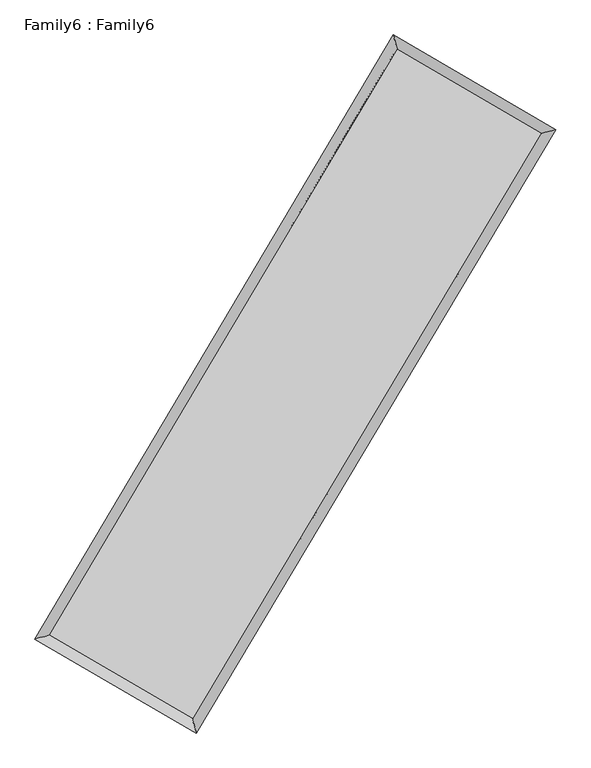
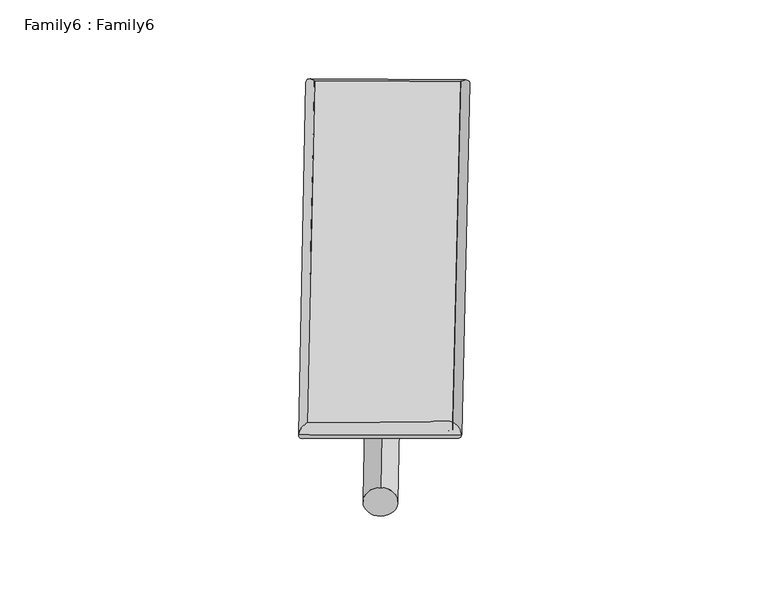
"""IFC4 building model written with IfcOpenShell, lengths in millimetres: plate geometry, Family6 : Family6."""

from ifc_helpers import new_model, si_unit, point, frame, origin, origin_2d, place, context, project, spatial, circle_curve, ellipse_curve, trimmed, segment, composite_curve, outline, extrude, source, transform, mapped, element, save
from ifc_brep_helpers import plane_surface, cylinder_surface, spline_surface, advanced_brep


def family6_family6_8bd7d2f0(model_context):
    return source(origin(), model_context, "Body", "SolidModel", [
        extrude(outline(composite_curve([segment(trimmed(circle_curve(origin_2d(), 76.2), [point((-75.4341514, -10.7763073))], [point((75.4341514, 10.7763073))], False, "CARTESIAN"), True, "CONTINUOUS"), segment(trimmed(circle_curve(origin_2d(), 76.2), [point((75.4341514, 10.7763073))], [point((-75.4341514, -10.7763073))], False, "CARTESIAN"), True, "CONTINUOUS")], self_intersect=False)), frame((9144.0, 9144.0, 0.0), z_axis=(0.6746271748806547, 0.6862228419612669, 0.27198600346920215), x_axis=(-0.6782232325349121, 0.721676859386595, -0.13854875486916265)), (0.0, 0.0, 1.0), 5576.2565293),
        extrude(outline(composite_curve([segment(trimmed(circle_curve(origin_2d(), 76.2), [point((-53.8815367, 53.8815368))], [point((53.8815367, -53.8815368))], False, "CARTESIAN"), True, "CONTINUOUS"), segment(trimmed(circle_curve(origin_2d(), 76.2), [point((53.8815367, -53.8815368))], [point((-53.8815367, 53.8815368))], False, "CARTESIAN"), True, "CONTINUOUS")], self_intersect=False)), frame((9144.0, 9144.0, 0.0), z_axis=(-0.6737112632616313, -0.6871135818360978, 0.27200746204982174), x_axis=(0.6406595170051703, -0.3596005261492225, 0.6784120022994171)), (0.0, 0.0, 1.0), 5575.5674448),
        extrude(outline(composite_curve([segment(trimmed(circle_curve(origin_2d(), 76.2), [point((-53.8815367, -53.8815368))], [point((53.8815367, 53.8815368))], False, "CARTESIAN"), True, "CONTINUOUS"), segment(trimmed(circle_curve(origin_2d(), 76.2), [point((53.8815367, 53.8815368))], [point((-53.8815367, -53.8815368))], False, "CARTESIAN"), True, "CONTINUOUS")], self_intersect=False)), frame((9144.0, 9144.0, 0.0), z_axis=(0.2793435147639205, 0.9200170902294191, 0.27483768745412657), x_axis=(-0.8391000439321958, 0.373046436401289, -0.39591346600145627)), (0.0, 0.0, 1.0), 5560.1191033),
        extrude(outline(composite_curve([segment(trimmed(circle_curve(origin_2d(), 76.2), [point((-75.4341514, 10.7763074))], [point((75.4341514, -10.7763074))], False, "CARTESIAN"), True, "CONTINUOUS"), segment(trimmed(circle_curve(origin_2d(), 76.2), [point((75.4341514, -10.7763074))], [point((-75.4341514, 10.7763074))], False, "CARTESIAN"), True, "CONTINUOUS")], self_intersect=False)), frame((9144.0, 9144.0, 0.0), z_axis=(-0.28052407537935903, -0.9196292328444279, 0.2749332959656298), x_axis=(0.8765034122807285, -0.12868804593138872, 0.46387622820597346)), (0.0, 0.0, 1.0), 5558.0336551),
        advanced_brep(
        [(5178.2224453, 5258.6254072, 1517.5027763), (5597.1367894, 5367.2846826, 1517.7606673), (5597.1323814, 5367.2783573, 1515.6891239), (10751.0309816, 14051.5348349, 1526.8854103), (10643.3354441, 14467.2743626, 1529.3751423), (5178.2180373, 5258.6190819, 1515.4312329), (12696.2983389, 12916.4121989, 1516.7865323), (13115.4900387, 13024.6970072, 1516.5409231), (7531.1184824, 4240.356383, 1527.8766355), (7638.5570135, 3824.9831643, 1528.3003882)],
        [
            (0, 1, ellipse_curve(frame((5387.6774134, 5312.9518822, 1516.5959501), z_axis=(-0.25107229252188307, 0.9679653097177361, -0.002421386142909992), x_axis=(-0.9679581334328099, -0.25108034658500766, -0.0039637709347274215)), 216.3948607, 152.4)),
            (1, 2, ellipse_curve(frame((5387.6774134, 5312.9518822, 1516.5959501), z_axis=(-0.25107229252188307, 0.9679653097177361, -0.002421386142909992), x_axis=(-0.9679581334328099, -0.25108034658500766, -0.0039637709347274215)), 216.3948607, 152.4)),
            (2, 3),
            (3, 4, ellipse_curve(frame((10697.1832128, 14259.4045987, 1528.1302763), z_axis=(-0.9680409071023293, -0.2507810758513705, 0.002377850148492664), x_axis=(0.2507706726172638, -0.9680383850167347, -0.003969242909841741)), 214.7350052, 152.4)),
            (4, 0),
            (2, 5, ellipse_curve(frame((5387.6774134, 5312.9518822, 1516.5959501), z_axis=(-0.25107229252188307, 0.9679653097177361, -0.002421386142909992), x_axis=(-0.9679581334328099, -0.25108034658500766, -0.0039637709347274215)), 216.3948607, 152.4)),
            (5, 0, ellipse_curve(frame((5387.6774134, 5312.9518822, 1516.5959501), z_axis=(-0.25107229252188307, 0.9679653097177361, -0.002421386142909992), x_axis=(-0.9679581334328099, -0.25108034658500766, -0.0039637709347274215)), 216.3948607, 152.4)),
            (4, 3, ellipse_curve(frame((10697.1832128, 14259.4045987, 1528.1302763), z_axis=(-0.9680409071023293, -0.2507810758513705, 0.002377850148492664), x_axis=(0.2507706726172638, -0.9680383850167347, -0.003969242909841741)), 214.7350052, 152.4)),
            (3, 6),
            (6, 7, ellipse_curve(frame((12905.8941888, 12970.554603, 1516.6637277), z_axis=(-0.25010617277046815, 0.9682154309193599, 0.002404510708435087), x_axis=(-0.9682083891755837, -0.25011411380928406, 0.003930038602618175)), 216.4771919, 152.4)),
            (7, 4),
            (7, 6, ellipse_curve(frame((12905.8941888, 12970.554603, 1516.6637277), z_axis=(-0.25010617277046815, 0.9682154309193599, 0.002404510708435087), x_axis=(-0.9682083891755837, -0.25011411380928406, 0.003930038602618175)), 216.4771919, 152.4)),
            (6, 8),
            (8, 9, ellipse_curve(frame((7584.837748, 4032.6697736, 1528.0885119), z_axis=(0.9681353605100982, 0.2504159070972816, 0.002407738072979146), x_axis=(-0.250405335328822, 0.9681328625883195, -0.003991041894828759)), 214.522585, 152.4)),
            (9, 7),
            (9, 8, ellipse_curve(frame((7584.837748, 4032.6697736, 1528.0885119), z_axis=(0.9681353605100982, 0.2504159070972816, 0.002407738072979146), x_axis=(-0.250405335328822, 0.9681328625883195, -0.003991041894828759)), 214.522585, 152.4)),
            (8, 1),
            (5, 9),
        ],
        [
            cylinder_surface(frame((5387.6774134, 5312.9518822, 1516.5959501), z_axis=(-0.5103642767881365, -0.8599576011282252, -0.0011087111033906724), x_axis=(-0.859940649263308, 0.5103451039356407, 0.007067859189341427)), 152.4),
            cylinder_surface(frame((10697.1832128, 14259.4045987, 1528.1302763), z_axis=(-0.8636961297131681, 0.5039929466399796, 0.004483888451440116), x_axis=(0.5040089276608793, 0.8636904427518974, 0.0037175176074615117)), 152.4),
            cylinder_surface(frame((12905.8941888, 12970.554603, 1516.6637277), z_axis=(0.5115465068923158, 0.8592548893920018, -0.001098336109150635), x_axis=(0.8592555382230015, -0.5115465068923158, 0.00030219094930734674)), 152.4),
            cylinder_surface(frame((7584.837748, 4032.6697736, 1528.0885119), z_axis=(0.8640086957021806, -0.5034566013937266, 0.0045193211984942095), x_axis=(-0.5034472906653716, -0.8640204262627618, -0.003086830480033067)), 152.4),
        ],
        [
            (0, [[1, 2, 3, 4, 5]]),
            (0, [[6, 7, -5, 8, -3]]),
            (1, [[-4, 9, 10, 11]]),
            (1, [[-8, -11, 12, -9]]),
            (2, [[-10, 13, 14, 15]]),
            (2, [[-12, -15, 16, -13]]),
            (3, [[-14, 17, -1, -7, 18]]),
            (3, [[-16, -18, -6, -2, -17]]),
        ],
    ),
        extrude(outline(composite_curve([segment(trimmed(circle_curve(origin_2d(), 304.8), [point((0.0, 304.8))], [point((0.0, -304.8))], False, "CARTESIAN"), True, "CONTINUOUS"), segment(trimmed(circle_curve(origin_2d(), 304.8), [point((0.0, -304.8))], [point((0.0, 304.8))], False, "CARTESIAN"), True, "CONTINUOUS")], self_intersect=False)), frame((11807.2863378, 13638.3605969, -0.0002819), z_axis=(-0.5097969417036354, -0.860294762409732, 5.395122609895814e-08), x_axis=(-0.8602947624097336, 0.5097969417036354, -1.4784845188072618e-08)), (0.0, 0.0, 1.0), 10448.4202236),
        advanced_brep(
        [(5387.6774134, 5312.9518822, 1516.5959501), (7584.837748, 4032.6697736, 1528.0885119), (7584.8383235, 4032.6684832, 1680.4885119), (5387.6779889, 5312.9505918, 1668.9959501), (12905.8941888, 12970.554603, 1516.6637277), (12905.8947643, 12970.5533126, 1669.0637277), (10697.1832128, 14259.4045987, 1528.1302763), (10697.1837884, 14259.4033083, 1680.5302763)],
        [
            (0, 1),
            (1, 2),
            (2, 3),
            (3, 0),
            (1, 4),
            (4, 5),
            (5, 2),
            (4, 6),
            (6, 7),
            (7, 5),
            (6, 0),
            (3, 7),
        ],
        [
            plane_surface(frame((6486.2575807, 4672.8108279, 1522.342231), z_axis=(-0.503461721686862, -0.8640175315158725, -5.414737361699503e-06), x_axis=(0.8640086957021811, -0.5034566013937257, 0.004519321198494214))),
            plane_surface(frame((10245.3659684, 8501.6121883, 1522.3761198), z_axis=(0.8592554033886358, -0.5115468225783723, -7.5765565475398484e-06), x_axis=(0.5115465068923152, 0.8592548893920022, -0.0010983361091506344))),
            plane_surface(frame((11801.5387008, 13614.9796009, 1522.397002), z_axis=(0.5039980341145875, 0.8637048000210273, 5.410063892775582e-06), x_axis=(-0.8636961297131683, 0.5039929466399794, 0.004483888451440116))),
            plane_surface(frame((8042.4303131, 9786.1782405, 1522.3631132), z_axis=(-0.8599581339343633, 0.5103645832371555, 7.569199808202178e-06), x_axis=(-0.5103642767881363, -0.8599576011282254, -0.0011087111033906743))),
            spline_surface(1, 1, [[(7584.8383235, 4032.6684832, 1680.4885119), (5387.6779889, 5312.9505918, 1668.9959501)], [(12905.8947643, 12970.5533126, 1669.0637277), (10697.1837884, 14259.4033083, 1680.5302763)]], [2, 2], [2, 2], [0.0, 1.0], [0.0, 1.0]),
            spline_surface(1, 1, [[(10697.1832128, 14259.4045987, 1528.1302763), (5387.6774134, 5312.9518822, 1516.5959501)], [(12905.8941888, 12970.554603, 1516.6637277), (7584.837748, 4032.6697736, 1528.0885119)]], [2, 2], [2, 2], [0.0, 1.0], [0.0, 1.0]),
        ],
        [
            (0, [[1, 2, 3, 4]]),
            (1, [[5, 6, 7, -2]]),
            (2, [[8, 9, 10, -6]]),
            (3, [[11, -4, 12, -9]]),
            (4, [[-3, -7, -10, -12]]),
            (5, [[-11, -8, -5, -1]]),
        ],
    ),
    ])


if __name__ == "__main__":
    model = new_model("IFC4")
    model_context = context("Model", 3, world=origin())
    ifc_project = project(units=[si_unit("LENGTHUNIT", "METRE", prefix="MILLI")], contexts=[model_context])
    site = spatial("IfcSite", under=ifc_project)
    building = spatial("IfcBuilding", under=site)
    placement = place(None, origin())
    family6_family6_shape = family6_family6_8bd7d2f0(model_context)
    element("IfcPlate", 1, ObjectType="Family6 : Family6", at=placement, inside=building, context=model_context, shape_type="MappedRepresentation", body=[
        mapped(family6_family6_shape, transform((0.0, 0.0, 0.0), x_axis=(1.0, 0.0, 0.0), y_axis=(0.0, 1.0, 0.0), z_axis=(0.0, 0.0, 1.0))),
    ])
    save(model, "model.ifc")
